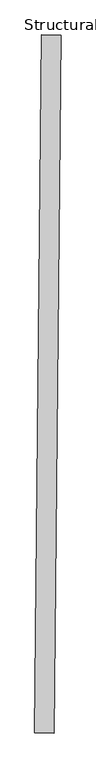
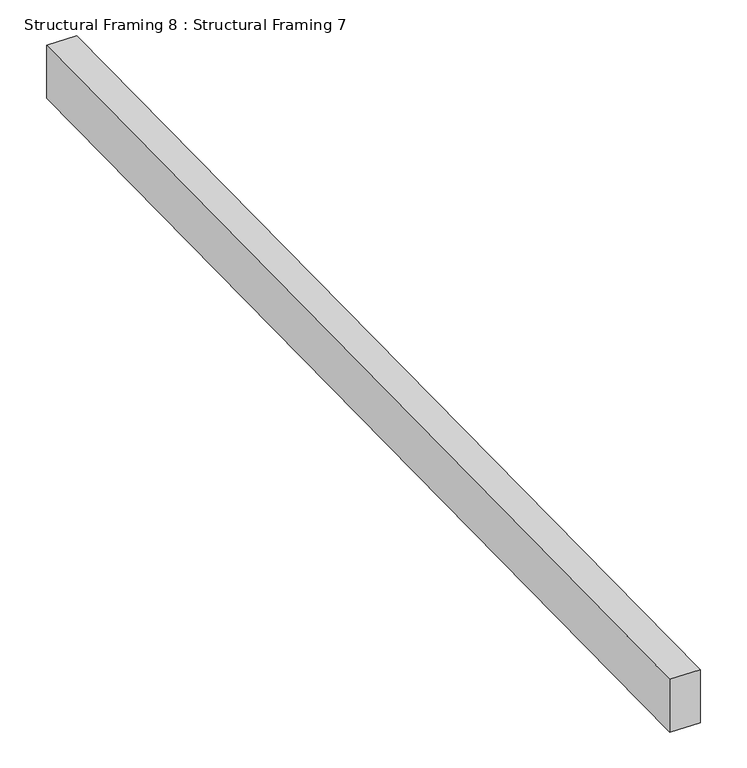
"""IFC4 building model written with IfcOpenShell, lengths in millimetres: beam geometry, Structural Framing 8 : Structural Framing 7."""

from ifc_helpers import new_model, si_unit, frame, origin, place, context, project, spatial, polyline, outline, extrude, source, transform, mapped, element, save


def structural_framing_8_structural_framing_7_e510dff5(model_context):
    return source(origin(), model_context, "Body", "SweptSolid", [
        extrude(outline(polyline([(-40841.8280126, 31221.9883269), (-40823.7324454, 33013.5690078), (-40774.3737869, 33013.0704687), (-40792.4693541, 31221.4897879), (-40841.8280126, 31221.9883269)])), frame((0.0, 0.0, 110777.1477014), z_axis=(0.0, 0.0, 1.0), x_axis=(1.0, 0.0, 0.0)), (0.0, 0.0, 1.0), 91.3891567),
    ])


if __name__ == "__main__":
    model = new_model("IFC4")
    model_context = context("Model", 3, world=origin())
    ifc_project = project(units=[si_unit("LENGTHUNIT", "METRE", prefix="MILLI")], contexts=[model_context])
    site = spatial("IfcSite", under=ifc_project)
    building = spatial("IfcBuilding", under=site)
    placement = place(None, origin())
    structural_framing_8_structural_framing_7_shape = structural_framing_8_structural_framing_7_e510dff5(model_context)
    element("IfcBeam", 1, ObjectType="Structural Framing 8 : Structural Framing 7", at=placement, inside=building, context=model_context, shape_type="MappedRepresentation", body=[
        mapped(structural_framing_8_structural_framing_7_shape, transform((0.0, 0.0, 0.0), x_axis=(1.0, 0.0, 0.0), y_axis=(0.0, 1.0, 0.0), z_axis=(0.0, 0.0, 1.0))),
    ])
    save(model, "model.ifc")
